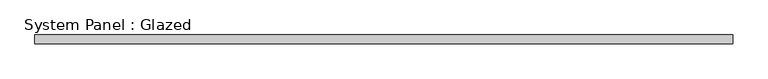
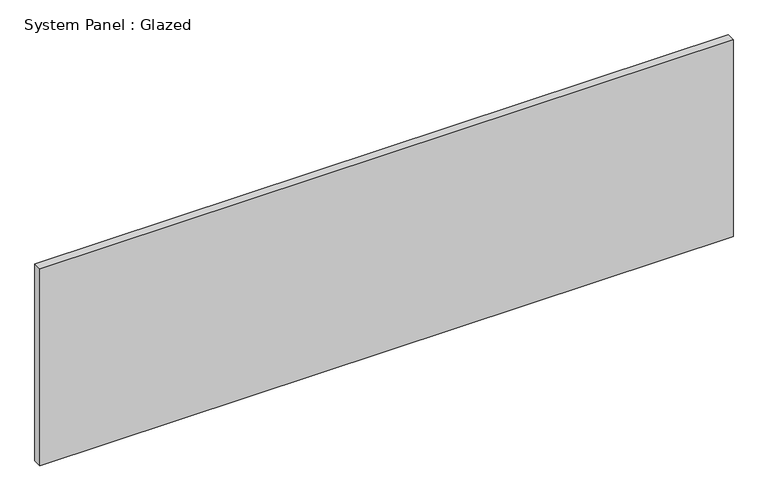
"""IFC4 building model written with IfcOpenShell, lengths in millimetres: plate geometry, System Panel : Glazed."""

from ifc_helpers import new_model, si_unit, origin, origin_with_axes, place, context, project, spatial, polyline, outline, extrude, source, transform, mapped, element, save


def system_panel_glazed_7670ddac(model_context):
    return source(origin(), model_context, "Body", "SweptSolid", [
        extrude(outline(polyline([(1000.0, -37.5), (-1000.0, -37.5), (-1000.0, -12.5), (1000.0, -12.5), (1000.0, -37.5)])), origin_with_axes(), (0.0, 0.0, 1.0), 600.0),
    ])


if __name__ == "__main__":
    model = new_model("IFC4")
    model_context = context("Model", 3, world=origin())
    ifc_project = project(units=[si_unit("LENGTHUNIT", "METRE", prefix="MILLI")], contexts=[model_context])
    site = spatial("IfcSite", under=ifc_project)
    building = spatial("IfcBuilding", under=site)
    placement = place(None, origin())
    system_panel_glazed_shape = system_panel_glazed_7670ddac(model_context)
    element("IfcPlate", 1, ObjectType="System Panel : Glazed", at=placement, inside=building, context=model_context, shape_type="MappedRepresentation", body=[
        mapped(system_panel_glazed_shape, transform((0.0, 0.0, 0.0), x_axis=(1.0, 0.0, 0.0), y_axis=(0.0, 1.0, 0.0), z_axis=(0.0, 0.0, 1.0))),
    ])
    save(model, "model.ifc")
